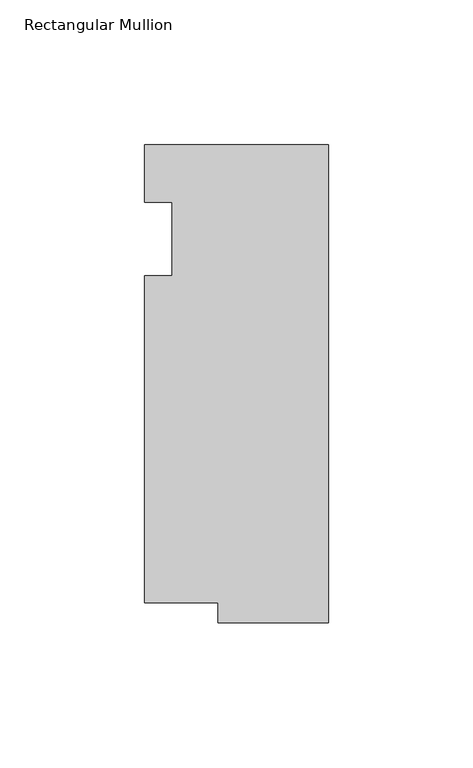
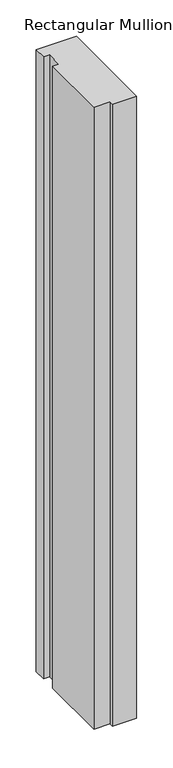
"""IFC4 building model written with IfcOpenShell, lengths in millimetres: member geometry, Rectangular Mullion."""

from ifc_helpers import new_model, si_unit, frame, origin, place, context, project, spatial, polyline, outline, extrude, source, transform, mapped, element, save


def rectangular_mullion_7be5a6f7(model_context):
    return source(origin(), model_context, "Body", "SweptSolid", [
        extrude(outline(polyline([(-63.5, 32.54375), (0.0, 32.54375), (0.0, -132.55625), (-38.1, -132.55625), (-38.1, -125.59665), (-63.5, -125.59665), (-63.5, -12.7), (-53.975, -12.7), (-53.975, 12.7), (-63.5, 12.7), (-63.5, 32.54375)])), frame((0.0, 0.0, -1041.4), z_axis=(0.0, 0.0, 1.0), x_axis=(1.0, 0.0, 0.0)), (0.0, 0.0, 1.0), 1041.4),
    ])


if __name__ == "__main__":
    model = new_model("IFC4")
    model_context = context("Model", 3, world=origin())
    ifc_project = project(units=[si_unit("LENGTHUNIT", "METRE", prefix="MILLI")], contexts=[model_context])
    site = spatial("IfcSite", under=ifc_project)
    building = spatial("IfcBuilding", under=site)
    placement = place(None, origin())
    rectangular_mullion_shape = rectangular_mullion_7be5a6f7(model_context)
    element("IfcMember", 1, ObjectType="Rectangular Mullion", at=placement, inside=building, context=model_context, shape_type="MappedRepresentation", body=[
        mapped(rectangular_mullion_shape, transform((0.0, 0.0, 0.0), x_axis=(1.0, 0.0, 0.0), y_axis=(0.0, 1.0, 0.0), z_axis=(0.0, 0.0, 1.0))),
    ])
    save(model, "model.ifc")
